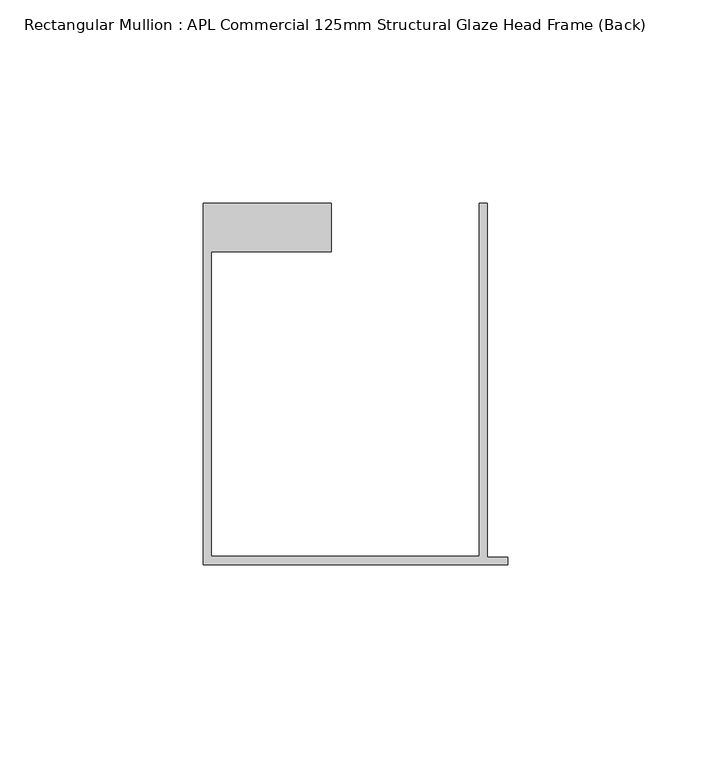
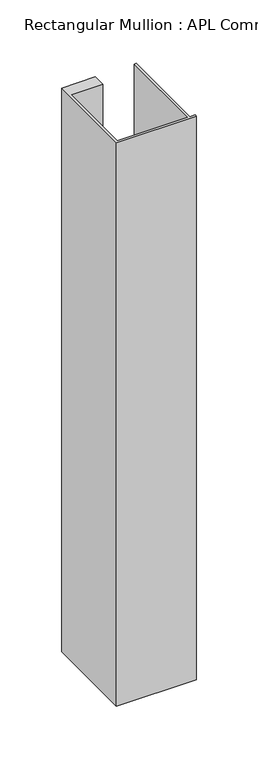
"""IFC4 building model written with IfcOpenShell, lengths in millimetres: member geometry, Rectangular Mullion : APL Commercial 125mm Structural Glaze Head Frame (Back)."""

from ifc_helpers import new_model, si_unit, frame, origin, place, context, project, spatial, polyline, outline, extrude, source, transform, mapped, element, save


def rectangular_mullion_apl_commercial_125mm_structural_glaze_e457f372(model_context):
    return source(origin(), model_context, "Body", "SweptSolid", [
        extrude(outline(polyline([(-75.0, -103.9993063), (-75.0, -14.9998342), (-43.5000151, -14.9998342), (-43.5000151, -26.9997514), (-73.0, -26.9997514), (-73.0, -101.9993063), (-7.0, -101.9993063), (-7.0, -14.9998342), (-5.0, -14.9998342), (-5.0, -102.1993063), (0.0, -102.1993063), (0.0, -103.9993063), (-75.0, -103.9993063)])), frame((0.0, 0.0, -558.9999477), z_axis=(0.0, 0.0, 1.0), x_axis=(1.0, 0.0, 0.0)), (0.0, 0.0, 1.0), 558.9999477),
    ])


if __name__ == "__main__":
    model = new_model("IFC4")
    model_context = context("Model", 3, world=origin())
    ifc_project = project(units=[si_unit("LENGTHUNIT", "METRE", prefix="MILLI")], contexts=[model_context])
    site = spatial("IfcSite", under=ifc_project)
    building = spatial("IfcBuilding", under=site)
    placement = place(None, origin())
    rectangular_mullion_apl_commercial_125mm_structural_glaze_shape = rectangular_mullion_apl_commercial_125mm_structural_glaze_e457f372(model_context)
    element("IfcMember", 1, ObjectType="Rectangular Mullion : APL Commercial 125mm Structural Glaze Head Frame (Back)", at=placement, inside=building, context=model_context, shape_type="MappedRepresentation", body=[
        mapped(rectangular_mullion_apl_commercial_125mm_structural_glaze_shape, transform((0.0, 0.0, 0.0), x_axis=(1.0, 0.0, 0.0), y_axis=(0.0, 1.0, 0.0), z_axis=(0.0, 0.0, 1.0))),
    ])
    save(model, "model.ifc")
